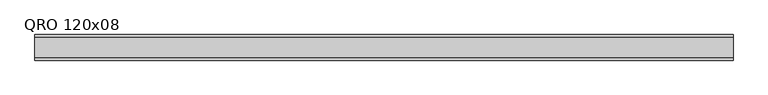
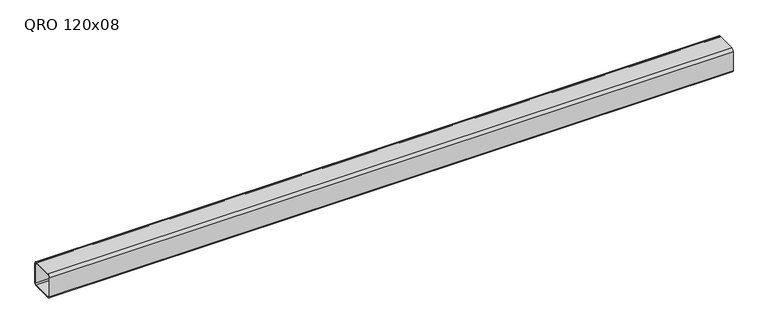
"""IFC4 building model written with IfcOpenShell, lengths in millimetres: beam geometry, QRO 120x08."""

from ifc_helpers import new_model, si_unit, point, frame, frame_2d, origin, place, context, project, spatial, polyline, circle_curve, trimmed, segment, composite_curve, outline, extrude, source, transform, mapped, element, save


def qro_120x08_068f6681(model_context):
    return source(origin(), model_context, "Body", "SweptSolid", [
        extrude(outline(composite_curve([segment(polyline([(60.0, 48.0), (60.0, -48.0)]), True, "CONTINUOUS"), segment(trimmed(circle_curve(frame_2d((48.0, -48.0)), 12.0), [point((60.0, -48.0))], [point((48.0, -60.0))], False, "CARTESIAN"), True, "CONTINUOUS"), segment(polyline([(48.0, -60.0), (-48.0, -60.0)]), True, "CONTINUOUS"), segment(trimmed(circle_curve(frame_2d((-48.0, -48.0)), 12.0), [point((-48.0, -60.0))], [point((-60.0, -48.0))], False, "CARTESIAN"), True, "CONTINUOUS"), segment(polyline([(-60.0, -48.0), (-60.0, 48.0)]), True, "CONTINUOUS"), segment(trimmed(circle_curve(frame_2d((-48.0, 48.0)), 12.0), [point((-60.0, 48.0))], [point((-48.0, 60.0))], False, "CARTESIAN"), True, "CONTINUOUS"), segment(polyline([(-48.0, 60.0), (48.0, 60.0)]), True, "CONTINUOUS"), segment(trimmed(circle_curve(frame_2d((48.0, 48.0)), 12.0), [point((48.0, 60.0))], [point((60.0, 48.0))], False, "CARTESIAN"), True, "CONTINUOUS")], self_intersect=False), holes=[composite_curve([segment(trimmed(circle_curve(frame_2d((-48.0, 48.0)), 6.0), [point((-48.0, 54.0))], [point((-54.0, 48.0))], True, "CARTESIAN"), True, "CONTINUOUS"), segment(polyline([(-54.0, 48.0), (-54.0, -48.0)]), True, "CONTINUOUS"), segment(trimmed(circle_curve(frame_2d((-48.0, -48.0)), 6.0), [point((-54.0, -48.0))], [point((-48.0, -54.0))], True, "CARTESIAN"), True, "CONTINUOUS"), segment(polyline([(-48.0, -54.0), (48.0, -54.0)]), True, "CONTINUOUS"), segment(trimmed(circle_curve(frame_2d((48.0, -48.0)), 6.0), [point((48.0, -54.0))], [point((54.0, -48.0))], True, "CARTESIAN"), True, "CONTINUOUS"), segment(polyline([(54.0, -48.0), (54.0, 48.0)]), True, "CONTINUOUS"), segment(trimmed(circle_curve(frame_2d((48.0, 48.0)), 6.0), [point((54.0, 48.0))], [point((48.0, 54.0))], True, "CARTESIAN"), True, "CONTINUOUS"), segment(polyline([(48.0, 54.0), (-48.0, 54.0)]), True, "CONTINUOUS")], self_intersect=False)]), frame((-1669.1119559, 0.0, 0.0), z_axis=(1.0, 0.0, 0.0), x_axis=(0.0, 1.0, 0.0)), (0.0, 0.0, 1.0), 3273.3482444),
    ])


if __name__ == "__main__":
    model = new_model("IFC4")
    model_context = context("Model", 3, world=origin())
    ifc_project = project(units=[si_unit("LENGTHUNIT", "METRE", prefix="MILLI")], contexts=[model_context])
    site = spatial("IfcSite", under=ifc_project)
    building = spatial("IfcBuilding", under=site)
    placement = place(None, origin())
    qro_120x08_shape = qro_120x08_068f6681(model_context)
    element("IfcBeam", 1, ObjectType="QRO 120x08", at=placement, inside=building, context=model_context, shape_type="MappedRepresentation", body=[
        mapped(qro_120x08_shape, transform((0.0, 0.0, 0.0), x_axis=(1.0, 0.0, 0.0), y_axis=(0.0, 1.0, 0.0), z_axis=(0.0, 0.0, 1.0))),
    ])
    save(model, "model.ifc")
